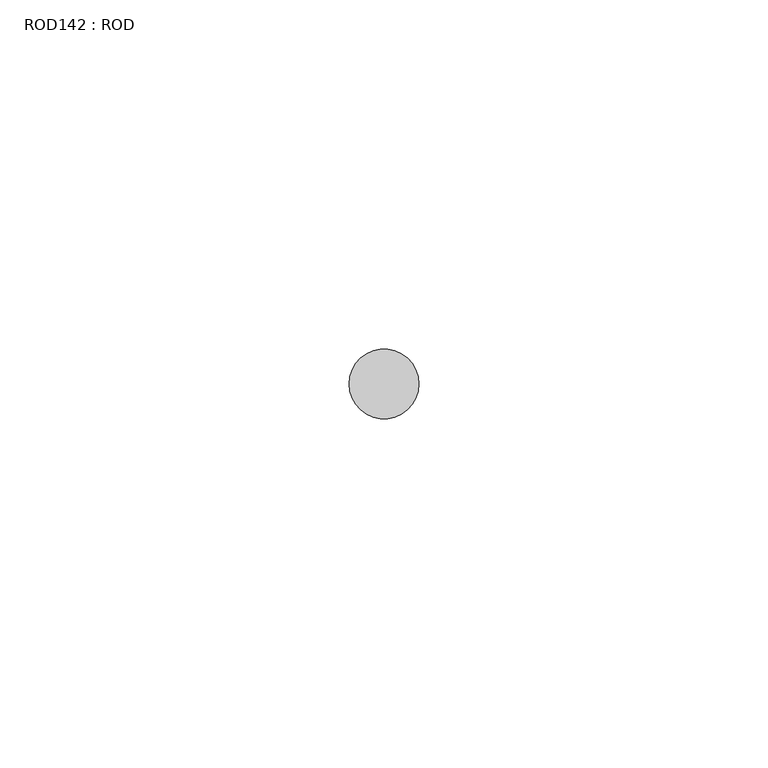
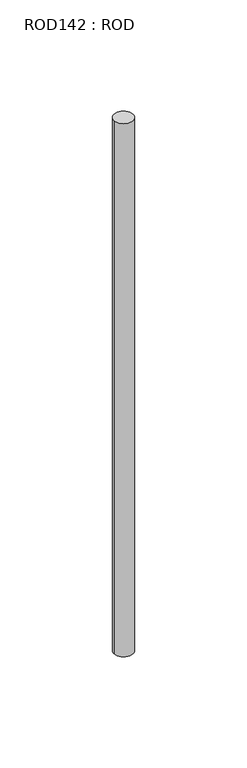
"""IFC4 building model written with IfcOpenShell, lengths in millimetres: proxy geometry, ROD142 : ROD."""

import ifcopenshell
import ifcopenshell.guid

model = None  # the IFC model being written
_history = None  # IfcOwnerHistory: only IFC2X3 demands one
_inside = {}  # id of a spatial element -> (the spatial element, [elements in it])
_under = {}  # id of a project, library or spatial element -> (it, [spatial elements below it])
_declared = {}  # id of a project -> (the project, [libraries it declares])
_typed = {}  # id of a type object -> (the type object, [elements of that type])
_made_of = {}  # id of a material, layer set ... -> (it, [elements and type objects made of it])


def new_model(schema):
    """Start an empty IFC model of exactly this schema.

    Asked for "IFC4X3", IfcOpenShell would pick the latest addendum, in which some entities
    have other attributes; the version numbers below select the first issue.
    IFC2X3 requires an IfcOwnerHistory on every rooted entity: one is made here for all.
    """
    global model, _history
    if schema == "IFC4X3":
        model = ifcopenshell.file(schema_version=(4, 3, 0, 0))
    else:
        model = ifcopenshell.file(schema=schema)
    _inside.clear()
    _under.clear()
    _declared.clear()
    _typed.clear()
    _made_of.clear()
    _history = None
    if model.schema == "IFC2X3":
        org = make("IfcOrganization", Name="unknown")
        user = make(
            "IfcPersonAndOrganization",
            ThePerson=make("IfcPerson", FamilyName="unknown"),
            TheOrganization=org,
        )
        app = make(
            "IfcApplication",
            ApplicationDeveloper=org,
            Version="unknown",
            ApplicationFullName="unknown",
            ApplicationIdentifier="unknown",
        )
        _history = make(
            "IfcOwnerHistory",
            OwningUser=user,
            OwningApplication=app,
            ChangeAction="ADDED",
            CreationDate=0,
        )
    return model


def make(cls, **values):
    """One entity of the class cls with the attributes given. An attribute that is None is left unset."""
    return model.create_entity(
        cls, **{name: value for name, value in values.items() if value is not None}
    )


def rooted(cls, **values):
    """An entity with a GlobalId (a new one), such as an element, a storey or a relation."""
    return make(cls, GlobalId=ifcopenshell.guid.new(), OwnerHistory=_history, **values)


def si_unit(unit_type, name, prefix=None):
    """IfcSIUnit, for example si_unit("LENGTHUNIT", "METRE", prefix="MILLI")."""
    return make("IfcSIUnit", UnitType=unit_type, Prefix=prefix, Name=name)


def assignment(units):
    """IfcUnitAssignment: the units of a project."""
    return None if units is None else make("IfcUnitAssignment", Units=units)


def point(xyz):
    """IfcCartesianPoint."""
    return None if xyz is None else make("IfcCartesianPoint", Coordinates=xyz)


def direction(xyz):
    """IfcDirection."""
    return None if xyz is None else make("IfcDirection", DirectionRatios=xyz)


def frame(location, z_axis=None, x_axis=None):
    """IfcAxis2Placement3D, a coordinate frame: its origin and axes. An axis left out is left unset."""
    return make(
        "IfcAxis2Placement3D",
        Location=point(location),
        Axis=direction(z_axis),
        RefDirection=direction(x_axis),
    )


def frame_2d(location, x_axis=None):
    """IfcAxis2Placement2D, a coordinate frame in the plane: its origin and x axis."""
    return make(
        "IfcAxis2Placement2D", Location=point(location), RefDirection=direction(x_axis)
    )


def origin():
    """The frame at (0, 0, 0) with its axes left unset."""
    return frame((0.0, 0.0, 0.0))


def place(relative_to, where):
    """IfcLocalPlacement: puts the frame where relative to a parent placement (None: the world)."""
    return make(
        "IfcLocalPlacement", PlacementRelTo=relative_to, RelativePlacement=where
    )


def context(
    kind, dimensions, precision=None, world=None, true_north=None, identifier=None
):
    """IfcGeometricRepresentationContext, for example the 3D "Model" context."""
    return make(
        "IfcGeometricRepresentationContext",
        ContextIdentifier=identifier,
        ContextType=kind,
        CoordinateSpaceDimension=dimensions,
        Precision=precision,
        WorldCoordinateSystem=world,
        TrueNorth=true_north,
    )


def project(units=None, contexts=None):
    """IfcProject with its units and contexts."""
    return rooted(
        "IfcProject",
        Name="project",
        RepresentationContexts=contexts,
        UnitsInContext=assignment(units),
    )


def spatial(cls, under=None, at=None, **own):
    """A site, building, storey or space (cls), placed at a placement, below another one or the project."""
    s = rooted(cls, ObjectPlacement=at, **own)
    if under is not None:
        _under.setdefault(under.id(), (under, []))[1].append(s)
    return s


def circle_curve(where, radius):
    """IfcCircle in the frame where."""
    return make("IfcCircle", Position=where, Radius=radius)


def trimmed(basis, trim1, trim2, sense, master):
    """IfcTrimmedCurve: the piece of a basis curve between two trims."""
    return make(
        "IfcTrimmedCurve",
        BasisCurve=basis,
        Trim1=trim1,
        Trim2=trim2,
        SenseAgreement=sense,
        MasterRepresentation=master,
    )


def segment(curve, same_sense, transition):
    """IfcCompositeCurveSegment."""
    return make(
        "IfcCompositeCurveSegment",
        Transition=transition,
        SameSense=same_sense,
        ParentCurve=curve,
    )


def composite_curve(segments, self_intersect=None):
    """IfcCompositeCurve: segments joined end to end."""
    return make("IfcCompositeCurve", Segments=segments, SelfIntersect=self_intersect)


def outline(outer, holes=None, kind="AREA"):
    """IfcArbitraryClosedProfileDef: a profile drawn as a closed curve; with holes, ...WithVoids."""
    if holes is None:
        return make("IfcArbitraryClosedProfileDef", ProfileType=kind, OuterCurve=outer)
    return make(
        "IfcArbitraryProfileDefWithVoids",
        ProfileType=kind,
        OuterCurve=outer,
        InnerCurves=holes,
    )


def extrude(swept, where, along, depth):
    """IfcExtrudedAreaSolid: the profile swept, set in the frame where, extruded along a direction by depth."""
    return make(
        "IfcExtrudedAreaSolid",
        SweptArea=swept,
        Position=where,
        ExtrudedDirection=direction(along),
        Depth=depth,
    )


def shape(context_of_items, identifier, shape_type, items):
    """IfcShapeRepresentation: the items that make up one representation, for example the "Body"."""
    return make(
        "IfcShapeRepresentation",
        ContextOfItems=context_of_items,
        RepresentationIdentifier=identifier,
        RepresentationType=shape_type,
        Items=items,
    )


def source(mapping_origin, context_of_items, identifier, shape_type, items):
    """IfcRepresentationMap: a shape defined once, which mapped items show again and again."""
    return make(
        "IfcRepresentationMap",
        MappingOrigin=mapping_origin,
        MappedRepresentation=shape(context_of_items, identifier, shape_type, items),
    )


def transform(
    local_origin,
    x_axis=None,
    y_axis=None,
    z_axis=None,
    scale=None,
    scale2=None,
    scale3=None,
    uniform=True,
):
    """IfcCartesianTransformationOperator3D, or its non-uniform kind. x_axis, y_axis, z_axis: its Axis1, 2, 3."""
    if uniform:
        return make(
            "IfcCartesianTransformationOperator3D",
            Axis1=direction(x_axis),
            Axis2=direction(y_axis),
            LocalOrigin=point(local_origin),
            Scale=scale,
            Axis3=direction(z_axis),
        )
    return make(
        "IfcCartesianTransformationOperator3DnonUniform",
        Axis1=direction(x_axis),
        Axis2=direction(y_axis),
        LocalOrigin=point(local_origin),
        Scale=scale,
        Axis3=direction(z_axis),
        Scale2=scale2,
        Scale3=scale3,
    )


def mapped(mapping_source, mapping_target):
    """IfcMappedItem: shows the shape of a source again, moved by a transform."""
    return make(
        "IfcMappedItem", MappingSource=mapping_source, MappingTarget=mapping_target
    )


def made_of(thing, what):
    """Note that an element or type object is made of a material, layer set ...; save() writes the relation."""
    if what is not None:
        _made_of.setdefault(what.id(), (what, []))[1].append(thing)
    return thing


def element(
    cls,
    number,
    at=None,
    inside=None,
    cuts=None,
    type_object=None,
    material=None,
    context=None,
    identifier="Body",
    shape_type=None,
    held_by="IfcProductDefinitionShape",
    body=None,
    shapes=None,
    **own,
):
    """One element of the class cls, such as IfcWall. Its Tag is "e" and its number.

    at: its placement. inside: the storey or other place that contains it. cuts: it is an
    opening in that element (IfcRelVoidsElement). A single representation is given by context,
    identifier, shape_type and body (its items); several are given by shapes. held_by: the class
    of the entity that holds the representations. save() writes the other relations.
    """
    e = rooted(cls, Tag="e%d" % number, ObjectPlacement=at, **own)
    if body is not None:
        shapes = [shape(context, identifier, shape_type, body)]
    if shapes is not None:
        e.Representation = make(held_by, Representations=shapes)
    if inside is not None:
        _inside.setdefault(inside.id(), (inside, []))[1].append(e)
    if cuts is not None:
        rooted(
            "IfcRelVoidsElement", RelatingBuildingElement=cuts, RelatedOpeningElement=e
        )
    if type_object is not None:
        _typed.setdefault(type_object.id(), (type_object, []))[1].append(e)
    return made_of(e, material)


def aggregate(whole, parts):
    """IfcRelAggregates: a whole, such as a stair, and the parts it consists of."""
    return rooted("IfcRelAggregates", RelatingObject=whole, RelatedObjects=parts)


def save(model, path):
    """Write the relations noted so far, then the file.

    IfcRelAggregates (storeys below a building ...), IfcRelContainedInSpatialStructure (elements
    in a storey), IfcRelDefinesByType, IfcRelAssociatesMaterial and IfcRelDeclares: one each for
    every whole, place, type object, material and project.
    """
    for whole, parts in _under.values():
        aggregate(whole, parts)
    for where, things in _inside.values():
        rooted(
            "IfcRelContainedInSpatialStructure",
            RelatedElements=things,
            RelatingStructure=where,
        )
    for kind, things in _typed.values():
        rooted("IfcRelDefinesByType", RelatedObjects=things, RelatingType=kind)
    for what, things in _made_of.values():
        rooted("IfcRelAssociatesMaterial", RelatedObjects=things, RelatingMaterial=what)
    for by, libraries in _declared.values():
        rooted("IfcRelDeclares", RelatingContext=by, RelatedDefinitions=libraries)
    model.write(path)


def rod142_rod_fd1eb980(model_context):
    return source(origin(), model_context, "Body", "SweptSolid", [
        extrude(outline(composite_curve([segment(trimmed(circle_curve(frame_2d((-1740.2326676, -23605.8050304)), 5.0), [point((-1745.2326676, -23605.8050304))], [point((-1735.2326676, -23605.8050304))], False, "CARTESIAN"), True, "CONTINUOUS"), segment(trimmed(circle_curve(frame_2d((-1740.2326676, -23605.8050304)), 5.0), [point((-1735.2326676, -23605.8050304))], [point((-1745.2326676, -23605.8050304))], False, "CARTESIAN"), True, "CONTINUOUS")], self_intersect=False)), frame((0.0, 0.0, 166.3391155), z_axis=(0.0, 0.0, 1.0), x_axis=(1.0, 0.0, 0.0)), (0.0, 0.0, 1.0), 298.9028972),
    ])


if __name__ == "__main__":
    model = new_model("IFC4")
    model_context = context("Model", 3, world=origin())
    ifc_project = project(units=[si_unit("LENGTHUNIT", "METRE", prefix="MILLI")], contexts=[model_context])
    site = spatial("IfcSite", under=ifc_project)
    building = spatial("IfcBuilding", under=site)
    placement = place(None, origin())
    rod142_rod_shape = rod142_rod_fd1eb980(model_context)
    element("IfcBuildingElementProxy", 1, Name="ROD142 : ROD", ObjectType="ROD142 : ROD", at=placement, inside=building, context=model_context, shape_type="MappedRepresentation", body=[
        mapped(rod142_rod_shape, transform((0.0, 0.0, 0.0), x_axis=(1.0, 0.0, 0.0), y_axis=(0.0, 1.0, 0.0), z_axis=(0.0, 0.0, 1.0))),
    ])
    save(model, "model.ifc")
